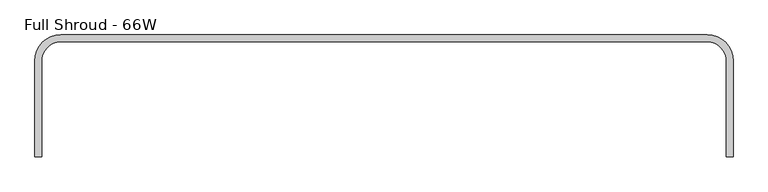
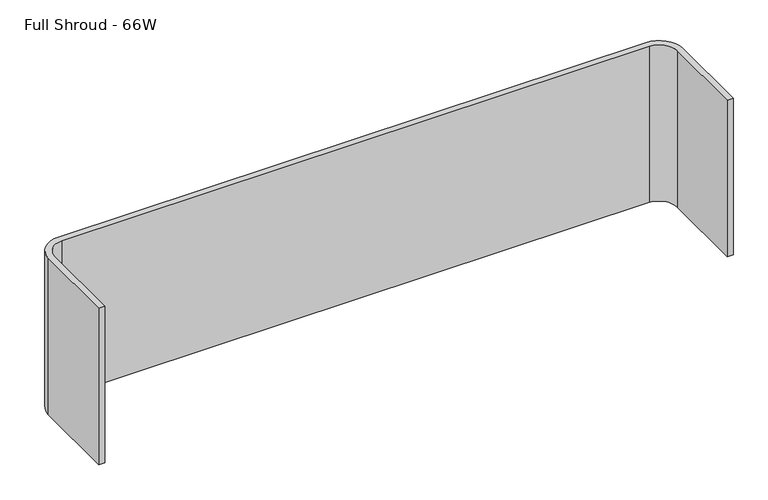
"""IFC4 building model written with IfcOpenShell, lengths in millimetres: furniture geometry, Full Shroud - 66W."""

import ifcopenshell
import ifcopenshell.guid

model = None  # the IFC model being written
_history = None  # IfcOwnerHistory: only IFC2X3 demands one
_inside = {}  # id of a spatial element -> (the spatial element, [elements in it])
_under = {}  # id of a project, library or spatial element -> (it, [spatial elements below it])
_declared = {}  # id of a project -> (the project, [libraries it declares])
_typed = {}  # id of a type object -> (the type object, [elements of that type])
_made_of = {}  # id of a material, layer set ... -> (it, [elements and type objects made of it])


def new_model(schema):
    """Start an empty IFC model of exactly this schema.

    Asked for "IFC4X3", IfcOpenShell would pick the latest addendum, in which some entities
    have other attributes; the version numbers below select the first issue.
    IFC2X3 requires an IfcOwnerHistory on every rooted entity: one is made here for all.
    """
    global model, _history
    if schema == "IFC4X3":
        model = ifcopenshell.file(schema_version=(4, 3, 0, 0))
    else:
        model = ifcopenshell.file(schema=schema)
    _inside.clear()
    _under.clear()
    _declared.clear()
    _typed.clear()
    _made_of.clear()
    _history = None
    if model.schema == "IFC2X3":
        org = make("IfcOrganization", Name="unknown")
        user = make(
            "IfcPersonAndOrganization",
            ThePerson=make("IfcPerson", FamilyName="unknown"),
            TheOrganization=org,
        )
        app = make(
            "IfcApplication",
            ApplicationDeveloper=org,
            Version="unknown",
            ApplicationFullName="unknown",
            ApplicationIdentifier="unknown",
        )
        _history = make(
            "IfcOwnerHistory",
            OwningUser=user,
            OwningApplication=app,
            ChangeAction="ADDED",
            CreationDate=0,
        )
    return model


def make(cls, **values):
    """One entity of the class cls with the attributes given. An attribute that is None is left unset."""
    return model.create_entity(
        cls, **{name: value for name, value in values.items() if value is not None}
    )


def rooted(cls, **values):
    """An entity with a GlobalId (a new one), such as an element, a storey or a relation."""
    return make(cls, GlobalId=ifcopenshell.guid.new(), OwnerHistory=_history, **values)


def si_unit(unit_type, name, prefix=None):
    """IfcSIUnit, for example si_unit("LENGTHUNIT", "METRE", prefix="MILLI")."""
    return make("IfcSIUnit", UnitType=unit_type, Prefix=prefix, Name=name)


def assignment(units):
    """IfcUnitAssignment: the units of a project."""
    return None if units is None else make("IfcUnitAssignment", Units=units)


def point(xyz):
    """IfcCartesianPoint."""
    return None if xyz is None else make("IfcCartesianPoint", Coordinates=xyz)


def direction(xyz):
    """IfcDirection."""
    return None if xyz is None else make("IfcDirection", DirectionRatios=xyz)


def frame(location, z_axis=None, x_axis=None):
    """IfcAxis2Placement3D, a coordinate frame: its origin and axes. An axis left out is left unset."""
    return make(
        "IfcAxis2Placement3D",
        Location=point(location),
        Axis=direction(z_axis),
        RefDirection=direction(x_axis),
    )


def frame_2d(location, x_axis=None):
    """IfcAxis2Placement2D, a coordinate frame in the plane: its origin and x axis."""
    return make(
        "IfcAxis2Placement2D", Location=point(location), RefDirection=direction(x_axis)
    )


def origin():
    """The frame at (0, 0, 0) with its axes left unset."""
    return frame((0.0, 0.0, 0.0))


def place(relative_to, where):
    """IfcLocalPlacement: puts the frame where relative to a parent placement (None: the world)."""
    return make(
        "IfcLocalPlacement", PlacementRelTo=relative_to, RelativePlacement=where
    )


def context(
    kind, dimensions, precision=None, world=None, true_north=None, identifier=None
):
    """IfcGeometricRepresentationContext, for example the 3D "Model" context."""
    return make(
        "IfcGeometricRepresentationContext",
        ContextIdentifier=identifier,
        ContextType=kind,
        CoordinateSpaceDimension=dimensions,
        Precision=precision,
        WorldCoordinateSystem=world,
        TrueNorth=true_north,
    )


def project(units=None, contexts=None):
    """IfcProject with its units and contexts."""
    return rooted(
        "IfcProject",
        Name="project",
        RepresentationContexts=contexts,
        UnitsInContext=assignment(units),
    )


def spatial(cls, under=None, at=None, **own):
    """A site, building, storey or space (cls), placed at a placement, below another one or the project."""
    s = rooted(cls, ObjectPlacement=at, **own)
    if under is not None:
        _under.setdefault(under.id(), (under, []))[1].append(s)
    return s


def polyline(points):
    """IfcPolyline through the points."""
    return make("IfcPolyline", Points=[point(p) for p in points])


def circle_curve(where, radius):
    """IfcCircle in the frame where."""
    return make("IfcCircle", Position=where, Radius=radius)


def trimmed(basis, trim1, trim2, sense, master):
    """IfcTrimmedCurve: the piece of a basis curve between two trims."""
    return make(
        "IfcTrimmedCurve",
        BasisCurve=basis,
        Trim1=trim1,
        Trim2=trim2,
        SenseAgreement=sense,
        MasterRepresentation=master,
    )


def segment(curve, same_sense, transition):
    """IfcCompositeCurveSegment."""
    return make(
        "IfcCompositeCurveSegment",
        Transition=transition,
        SameSense=same_sense,
        ParentCurve=curve,
    )


def composite_curve(segments, self_intersect=None):
    """IfcCompositeCurve: segments joined end to end."""
    return make("IfcCompositeCurve", Segments=segments, SelfIntersect=self_intersect)


def outline(outer, holes=None, kind="AREA"):
    """IfcArbitraryClosedProfileDef: a profile drawn as a closed curve; with holes, ...WithVoids."""
    if holes is None:
        return make("IfcArbitraryClosedProfileDef", ProfileType=kind, OuterCurve=outer)
    return make(
        "IfcArbitraryProfileDefWithVoids",
        ProfileType=kind,
        OuterCurve=outer,
        InnerCurves=holes,
    )


def extrude(swept, where, along, depth):
    """IfcExtrudedAreaSolid: the profile swept, set in the frame where, extruded along a direction by depth."""
    return make(
        "IfcExtrudedAreaSolid",
        SweptArea=swept,
        Position=where,
        ExtrudedDirection=direction(along),
        Depth=depth,
    )


def shape(context_of_items, identifier, shape_type, items):
    """IfcShapeRepresentation: the items that make up one representation, for example the "Body"."""
    return make(
        "IfcShapeRepresentation",
        ContextOfItems=context_of_items,
        RepresentationIdentifier=identifier,
        RepresentationType=shape_type,
        Items=items,
    )


def source(mapping_origin, context_of_items, identifier, shape_type, items):
    """IfcRepresentationMap: a shape defined once, which mapped items show again and again."""
    return make(
        "IfcRepresentationMap",
        MappingOrigin=mapping_origin,
        MappedRepresentation=shape(context_of_items, identifier, shape_type, items),
    )


def transform(
    local_origin,
    x_axis=None,
    y_axis=None,
    z_axis=None,
    scale=None,
    scale2=None,
    scale3=None,
    uniform=True,
):
    """IfcCartesianTransformationOperator3D, or its non-uniform kind. x_axis, y_axis, z_axis: its Axis1, 2, 3."""
    if uniform:
        return make(
            "IfcCartesianTransformationOperator3D",
            Axis1=direction(x_axis),
            Axis2=direction(y_axis),
            LocalOrigin=point(local_origin),
            Scale=scale,
            Axis3=direction(z_axis),
        )
    return make(
        "IfcCartesianTransformationOperator3DnonUniform",
        Axis1=direction(x_axis),
        Axis2=direction(y_axis),
        LocalOrigin=point(local_origin),
        Scale=scale,
        Axis3=direction(z_axis),
        Scale2=scale2,
        Scale3=scale3,
    )


def mapped(mapping_source, mapping_target):
    """IfcMappedItem: shows the shape of a source again, moved by a transform."""
    return make(
        "IfcMappedItem", MappingSource=mapping_source, MappingTarget=mapping_target
    )


def made_of(thing, what):
    """Note that an element or type object is made of a material, layer set ...; save() writes the relation."""
    if what is not None:
        _made_of.setdefault(what.id(), (what, []))[1].append(thing)
    return thing


def element(
    cls,
    number,
    at=None,
    inside=None,
    cuts=None,
    type_object=None,
    material=None,
    context=None,
    identifier="Body",
    shape_type=None,
    held_by="IfcProductDefinitionShape",
    body=None,
    shapes=None,
    **own,
):
    """One element of the class cls, such as IfcWall. Its Tag is "e" and its number.

    at: its placement. inside: the storey or other place that contains it. cuts: it is an
    opening in that element (IfcRelVoidsElement). A single representation is given by context,
    identifier, shape_type and body (its items); several are given by shapes. held_by: the class
    of the entity that holds the representations. save() writes the other relations.
    """
    e = rooted(cls, Tag="e%d" % number, ObjectPlacement=at, **own)
    if body is not None:
        shapes = [shape(context, identifier, shape_type, body)]
    if shapes is not None:
        e.Representation = make(held_by, Representations=shapes)
    if inside is not None:
        _inside.setdefault(inside.id(), (inside, []))[1].append(e)
    if cuts is not None:
        rooted(
            "IfcRelVoidsElement", RelatingBuildingElement=cuts, RelatedOpeningElement=e
        )
    if type_object is not None:
        _typed.setdefault(type_object.id(), (type_object, []))[1].append(e)
    return made_of(e, material)


def aggregate(whole, parts):
    """IfcRelAggregates: a whole, such as a stair, and the parts it consists of."""
    return rooted("IfcRelAggregates", RelatingObject=whole, RelatedObjects=parts)


def save(model, path):
    """Write the relations noted so far, then the file.

    IfcRelAggregates (storeys below a building ...), IfcRelContainedInSpatialStructure (elements
    in a storey), IfcRelDefinesByType, IfcRelAssociatesMaterial and IfcRelDeclares: one each for
    every whole, place, type object, material and project.
    """
    for whole, parts in _under.values():
        aggregate(whole, parts)
    for where, things in _inside.values():
        rooted(
            "IfcRelContainedInSpatialStructure",
            RelatedElements=things,
            RelatingStructure=where,
        )
    for kind, things in _typed.values():
        rooted("IfcRelDefinesByType", RelatedObjects=things, RelatingType=kind)
    for what, things in _made_of.values():
        rooted("IfcRelAssociatesMaterial", RelatedObjects=things, RelatingMaterial=what)
    for by, libraries in _declared.values():
        rooted("IfcRelDeclares", RelatingContext=by, RelatedDefinitions=libraries)
    model.write(path)


def full_shroud_66w_8b12b32e(model_context):
    return source(origin(), model_context, "Body", "SweptSolid", [
        extrude(outline(composite_curve([segment(trimmed(circle_curve(frame_2d((61.7219696, -58.2395876)), 61.7219696), [point((0.0, -58.2395876))], [point((61.7219696, 3.4823819))], False, "CARTESIAN"), True, "CONTINUOUS"), segment(polyline([(61.7219696, 3.4823819), (1614.6780304, 3.4823819)]), True, "CONTINUOUS"), segment(trimmed(circle_curve(frame_2d((1614.6780304, -58.2395876)), 61.7219696), [point((1614.6780304, 3.4823819))], [point((1676.4, -58.2395876))], False, "CARTESIAN"), True, "CONTINUOUS"), segment(polyline([(1676.4, -58.2395876), (1676.4, -288.9196021), (1660.5185622, -288.9196021), (1660.5185622, -60.5073273)]), True, "CONTINUOUS"), segment(trimmed(circle_curve(frame_2d((1612.4805704, -60.5073273)), 48.0379918), [point((1660.5185622, -60.5073273))], [point((1614.6779998, -12.519621))], True, "CARTESIAN"), True, "CONTINUOUS"), segment(polyline([(1614.6779998, -12.519621), (61.7220002, -12.519621)]), True, "CONTINUOUS"), segment(trimmed(circle_curve(frame_2d((63.9194296, -60.5073273)), 48.0379918), [point((61.7220002, -12.519621))], [point((15.8814378, -60.5073273))], True, "CARTESIAN"), True, "CONTINUOUS"), segment(polyline([(15.8814378, -60.5073273), (15.8814378, -288.9196021), (0.0, -288.9196021), (0.0, -58.2395876)]), True, "CONTINUOUS")], self_intersect=False)), frame((0.0, 0.0, 605.082423), z_axis=(0.0, 0.0, 1.0), x_axis=(1.0, 0.0, 0.0)), (0.0, 0.0, 1.0), 436.5085421),
    ])


if __name__ == "__main__":
    model = new_model("IFC4")
    model_context = context("Model", 3, world=origin())
    ifc_project = project(units=[si_unit("LENGTHUNIT", "METRE", prefix="MILLI")], contexts=[model_context])
    site = spatial("IfcSite", under=ifc_project)
    building = spatial("IfcBuilding", under=site)
    placement = place(None, origin())
    full_shroud_66w_shape = full_shroud_66w_8b12b32e(model_context)
    element("IfcFurniture", 1, ObjectType="Full Shroud - 66W", at=placement, inside=building, context=model_context, shape_type="MappedRepresentation", body=[
        mapped(full_shroud_66w_shape, transform((0.0, 0.0, 0.0), x_axis=(1.0, 0.0, 0.0), y_axis=(0.0, 1.0, 0.0), z_axis=(0.0, 0.0, 1.0))),
    ])
    save(model, "model.ifc")
